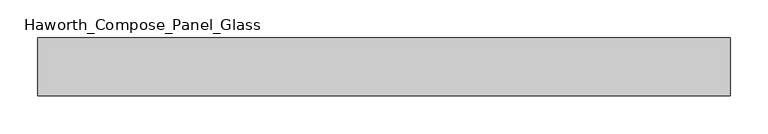
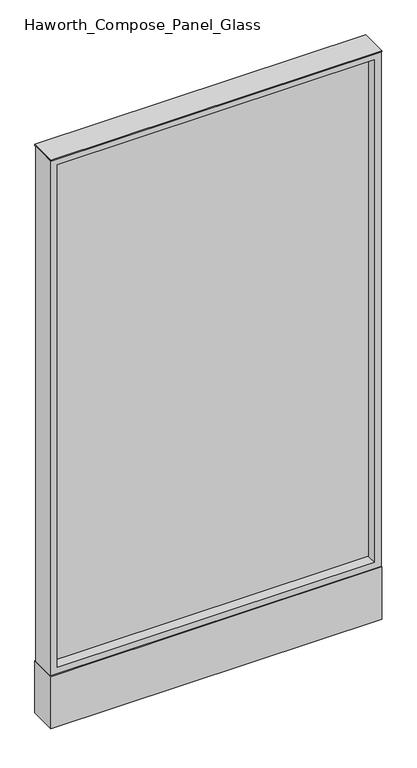
"""IFC4 building model written with IfcOpenShell, lengths in millimetres: furniture geometry, Haworth_Compose_Panel_Glass."""

import ifcopenshell
import ifcopenshell.guid

model = None  # the IFC model being written
_history = None  # IfcOwnerHistory: only IFC2X3 demands one
_inside = {}  # id of a spatial element -> (the spatial element, [elements in it])
_under = {}  # id of a project, library or spatial element -> (it, [spatial elements below it])
_declared = {}  # id of a project -> (the project, [libraries it declares])
_typed = {}  # id of a type object -> (the type object, [elements of that type])
_made_of = {}  # id of a material, layer set ... -> (it, [elements and type objects made of it])


def new_model(schema):
    """Start an empty IFC model of exactly this schema.

    Asked for "IFC4X3", IfcOpenShell would pick the latest addendum, in which some entities
    have other attributes; the version numbers below select the first issue.
    IFC2X3 requires an IfcOwnerHistory on every rooted entity: one is made here for all.
    """
    global model, _history
    if schema == "IFC4X3":
        model = ifcopenshell.file(schema_version=(4, 3, 0, 0))
    else:
        model = ifcopenshell.file(schema=schema)
    _inside.clear()
    _under.clear()
    _declared.clear()
    _typed.clear()
    _made_of.clear()
    _history = None
    if model.schema == "IFC2X3":
        org = make("IfcOrganization", Name="unknown")
        user = make(
            "IfcPersonAndOrganization",
            ThePerson=make("IfcPerson", FamilyName="unknown"),
            TheOrganization=org,
        )
        app = make(
            "IfcApplication",
            ApplicationDeveloper=org,
            Version="unknown",
            ApplicationFullName="unknown",
            ApplicationIdentifier="unknown",
        )
        _history = make(
            "IfcOwnerHistory",
            OwningUser=user,
            OwningApplication=app,
            ChangeAction="ADDED",
            CreationDate=0,
        )
    return model


def make(cls, **values):
    """One entity of the class cls with the attributes given. An attribute that is None is left unset."""
    return model.create_entity(
        cls, **{name: value for name, value in values.items() if value is not None}
    )


def rooted(cls, **values):
    """An entity with a GlobalId (a new one), such as an element, a storey or a relation."""
    return make(cls, GlobalId=ifcopenshell.guid.new(), OwnerHistory=_history, **values)


def si_unit(unit_type, name, prefix=None):
    """IfcSIUnit, for example si_unit("LENGTHUNIT", "METRE", prefix="MILLI")."""
    return make("IfcSIUnit", UnitType=unit_type, Prefix=prefix, Name=name)


def assignment(units):
    """IfcUnitAssignment: the units of a project."""
    return None if units is None else make("IfcUnitAssignment", Units=units)


def point(xyz):
    """IfcCartesianPoint."""
    return None if xyz is None else make("IfcCartesianPoint", Coordinates=xyz)


def direction(xyz):
    """IfcDirection."""
    return None if xyz is None else make("IfcDirection", DirectionRatios=xyz)


def frame(location, z_axis=None, x_axis=None):
    """IfcAxis2Placement3D, a coordinate frame: its origin and axes. An axis left out is left unset."""
    return make(
        "IfcAxis2Placement3D",
        Location=point(location),
        Axis=direction(z_axis),
        RefDirection=direction(x_axis),
    )


def frame_2d(location, x_axis=None):
    """IfcAxis2Placement2D, a coordinate frame in the plane: its origin and x axis."""
    return make(
        "IfcAxis2Placement2D", Location=point(location), RefDirection=direction(x_axis)
    )


def origin():
    """The frame at (0, 0, 0) with its axes left unset."""
    return frame((0.0, 0.0, 0.0))


def origin_with_axes():
    """The frame at (0, 0, 0) with the z axis (0, 0, 1) and the x axis (1, 0, 0) written out."""
    return frame((0.0, 0.0, 0.0), z_axis=(0.0, 0.0, 1.0), x_axis=(1.0, 0.0, 0.0))


def place(relative_to, where):
    """IfcLocalPlacement: puts the frame where relative to a parent placement (None: the world)."""
    return make(
        "IfcLocalPlacement", PlacementRelTo=relative_to, RelativePlacement=where
    )


def context(
    kind, dimensions, precision=None, world=None, true_north=None, identifier=None
):
    """IfcGeometricRepresentationContext, for example the 3D "Model" context."""
    return make(
        "IfcGeometricRepresentationContext",
        ContextIdentifier=identifier,
        ContextType=kind,
        CoordinateSpaceDimension=dimensions,
        Precision=precision,
        WorldCoordinateSystem=world,
        TrueNorth=true_north,
    )


def project(units=None, contexts=None):
    """IfcProject with its units and contexts."""
    return rooted(
        "IfcProject",
        Name="project",
        RepresentationContexts=contexts,
        UnitsInContext=assignment(units),
    )


def spatial(cls, under=None, at=None, **own):
    """A site, building, storey or space (cls), placed at a placement, below another one or the project."""
    s = rooted(cls, ObjectPlacement=at, **own)
    if under is not None:
        _under.setdefault(under.id(), (under, []))[1].append(s)
    return s


def polyline(points):
    """IfcPolyline through the points."""
    return make("IfcPolyline", Points=[point(p) for p in points])


def circle_curve(where, radius):
    """IfcCircle in the frame where."""
    return make("IfcCircle", Position=where, Radius=radius)


def trimmed(basis, trim1, trim2, sense, master):
    """IfcTrimmedCurve: the piece of a basis curve between two trims."""
    return make(
        "IfcTrimmedCurve",
        BasisCurve=basis,
        Trim1=trim1,
        Trim2=trim2,
        SenseAgreement=sense,
        MasterRepresentation=master,
    )


def segment(curve, same_sense, transition):
    """IfcCompositeCurveSegment."""
    return make(
        "IfcCompositeCurveSegment",
        Transition=transition,
        SameSense=same_sense,
        ParentCurve=curve,
    )


def composite_curve(segments, self_intersect=None):
    """IfcCompositeCurve: segments joined end to end."""
    return make("IfcCompositeCurve", Segments=segments, SelfIntersect=self_intersect)


def outline(outer, holes=None, kind="AREA"):
    """IfcArbitraryClosedProfileDef: a profile drawn as a closed curve; with holes, ...WithVoids."""
    if holes is None:
        return make("IfcArbitraryClosedProfileDef", ProfileType=kind, OuterCurve=outer)
    return make(
        "IfcArbitraryProfileDefWithVoids",
        ProfileType=kind,
        OuterCurve=outer,
        InnerCurves=holes,
    )


def extrude(swept, where, along, depth):
    """IfcExtrudedAreaSolid: the profile swept, set in the frame where, extruded along a direction by depth."""
    return make(
        "IfcExtrudedAreaSolid",
        SweptArea=swept,
        Position=where,
        ExtrudedDirection=direction(along),
        Depth=depth,
    )


def shape(context_of_items, identifier, shape_type, items):
    """IfcShapeRepresentation: the items that make up one representation, for example the "Body"."""
    return make(
        "IfcShapeRepresentation",
        ContextOfItems=context_of_items,
        RepresentationIdentifier=identifier,
        RepresentationType=shape_type,
        Items=items,
    )


def source(mapping_origin, context_of_items, identifier, shape_type, items):
    """IfcRepresentationMap: a shape defined once, which mapped items show again and again."""
    return make(
        "IfcRepresentationMap",
        MappingOrigin=mapping_origin,
        MappedRepresentation=shape(context_of_items, identifier, shape_type, items),
    )


def transform(
    local_origin,
    x_axis=None,
    y_axis=None,
    z_axis=None,
    scale=None,
    scale2=None,
    scale3=None,
    uniform=True,
):
    """IfcCartesianTransformationOperator3D, or its non-uniform kind. x_axis, y_axis, z_axis: its Axis1, 2, 3."""
    if uniform:
        return make(
            "IfcCartesianTransformationOperator3D",
            Axis1=direction(x_axis),
            Axis2=direction(y_axis),
            LocalOrigin=point(local_origin),
            Scale=scale,
            Axis3=direction(z_axis),
        )
    return make(
        "IfcCartesianTransformationOperator3DnonUniform",
        Axis1=direction(x_axis),
        Axis2=direction(y_axis),
        LocalOrigin=point(local_origin),
        Scale=scale,
        Axis3=direction(z_axis),
        Scale2=scale2,
        Scale3=scale3,
    )


def mapped(mapping_source, mapping_target):
    """IfcMappedItem: shows the shape of a source again, moved by a transform."""
    return make(
        "IfcMappedItem", MappingSource=mapping_source, MappingTarget=mapping_target
    )


def made_of(thing, what):
    """Note that an element or type object is made of a material, layer set ...; save() writes the relation."""
    if what is not None:
        _made_of.setdefault(what.id(), (what, []))[1].append(thing)
    return thing


def element(
    cls,
    number,
    at=None,
    inside=None,
    cuts=None,
    type_object=None,
    material=None,
    context=None,
    identifier="Body",
    shape_type=None,
    held_by="IfcProductDefinitionShape",
    body=None,
    shapes=None,
    **own,
):
    """One element of the class cls, such as IfcWall. Its Tag is "e" and its number.

    at: its placement. inside: the storey or other place that contains it. cuts: it is an
    opening in that element (IfcRelVoidsElement). A single representation is given by context,
    identifier, shape_type and body (its items); several are given by shapes. held_by: the class
    of the entity that holds the representations. save() writes the other relations.
    """
    e = rooted(cls, Tag="e%d" % number, ObjectPlacement=at, **own)
    if body is not None:
        shapes = [shape(context, identifier, shape_type, body)]
    if shapes is not None:
        e.Representation = make(held_by, Representations=shapes)
    if inside is not None:
        _inside.setdefault(inside.id(), (inside, []))[1].append(e)
    if cuts is not None:
        rooted(
            "IfcRelVoidsElement", RelatingBuildingElement=cuts, RelatedOpeningElement=e
        )
    if type_object is not None:
        _typed.setdefault(type_object.id(), (type_object, []))[1].append(e)
    return made_of(e, material)


def aggregate(whole, parts):
    """IfcRelAggregates: a whole, such as a stair, and the parts it consists of."""
    return rooted("IfcRelAggregates", RelatingObject=whole, RelatedObjects=parts)


def save(model, path):
    """Write the relations noted so far, then the file.

    IfcRelAggregates (storeys below a building ...), IfcRelContainedInSpatialStructure (elements
    in a storey), IfcRelDefinesByType, IfcRelAssociatesMaterial and IfcRelDeclares: one each for
    every whole, place, type object, material and project.
    """
    for whole, parts in _under.values():
        aggregate(whole, parts)
    for where, things in _inside.values():
        rooted(
            "IfcRelContainedInSpatialStructure",
            RelatedElements=things,
            RelatingStructure=where,
        )
    for kind, things in _typed.values():
        rooted("IfcRelDefinesByType", RelatedObjects=things, RelatingType=kind)
    for what, things in _made_of.values():
        rooted("IfcRelAssociatesMaterial", RelatedObjects=things, RelatingMaterial=what)
    for by, libraries in _declared.values():
        rooted("IfcRelDeclares", RelatingContext=by, RelatedDefinitions=libraries)
    model.write(path)


def haworth_compose_panel_glass_8a2b7c71(model_context):
    return source(origin(), model_context, "Body", "SweptSolid", [
        extrude(outline(composite_curve([segment(trimmed(circle_curve(frame_2d((383.4402902, 0.0)), 12.7), [point((370.7402902, 0.0))], [point((396.1402902, 0.0))], False, "CARTESIAN"), True, "CONTINUOUS"), segment(trimmed(circle_curve(frame_2d((383.4402902, 0.0)), 12.7), [point((396.1402902, 0.0))], [point((370.7402902, 0.0))], False, "CARTESIAN"), True, "CONTINUOUS")], self_intersect=False)), origin_with_axes(), (0.0, 0.0, 1.0), 12.7),
        extrude(outline(composite_curve([segment(trimmed(circle_curve(frame_2d((-378.5597098, 0.0)), 12.7), [point((-391.2597098, 0.0))], [point((-365.8597098, 0.0))], False, "CARTESIAN"), True, "CONTINUOUS"), segment(trimmed(circle_curve(frame_2d((-378.5597098, 0.0)), 12.7), [point((-365.8597098, 0.0))], [point((-391.2597098, 0.0))], False, "CARTESIAN"), True, "CONTINUOUS")], self_intersect=False)), origin_with_axes(), (0.0, 0.0, 1.0), 12.7),
        extrude(outline(polyline([(440.5902902, -6.35), (-435.7097098, -6.35), (-435.7097098, 6.35), (440.5902902, 6.35), (440.5902902, -6.35)])), frame((0.0, 0.0, 184.15), z_axis=(0.0, 0.0, 1.0), x_axis=(1.0, 0.0, 0.0)), (0.0, 0.0, 1.0), 1466.85),
        extrude(outline(polyline([(1670.05, -454.7597098), (165.1, -454.7597098), (165.1, 459.6402902), (1670.05, 459.6402902), (1670.05, -454.7597098)]), holes=[polyline([(1651.0, 440.5902902), (184.15, 440.5902902), (184.15, -435.7097098), (1651.0, -435.7097098), (1651.0, 440.5902902)])]), frame((0.0, -34.925, 0.0), z_axis=(0.0, 1.0, 0.0), x_axis=(0.0, 0.0, 1.0)), (0.0, 0.0, 1.0), 69.85),
        extrude(outline(polyline([(-454.7597098, 38.1), (459.6402902, 38.1), (459.6402902, -38.1), (-454.7597098, -38.1), (-454.7597098, 38.1)])), frame((0.0, 0.0, 12.7), z_axis=(0.0, 0.0, 1.0), x_axis=(1.0, 0.0, 0.0)), (0.0, 0.0, 1.0), 152.4),
        extrude(outline(polyline([(-454.7597098, -38.1), (-454.7597098, 38.1), (459.6402902, 38.1), (459.6402902, -38.1), (-454.7597098, -38.1)])), frame((0.0, 0.0, 1670.05), z_axis=(0.0, 0.0, 1.0), x_axis=(1.0, 0.0, 0.0)), (0.0, 0.0, 1.0), 3.175),
    ])


if __name__ == "__main__":
    model = new_model("IFC4")
    model_context = context("Model", 3, world=origin())
    ifc_project = project(units=[si_unit("LENGTHUNIT", "METRE", prefix="MILLI")], contexts=[model_context])
    site = spatial("IfcSite", under=ifc_project)
    building = spatial("IfcBuilding", under=site)
    placement = place(None, origin())
    haworth_compose_panel_glass_shape = haworth_compose_panel_glass_8a2b7c71(model_context)
    element("IfcFurniture", 1, ObjectType="Haworth_Compose_Panel_Glass", at=placement, inside=building, context=model_context, shape_type="MappedRepresentation", body=[
        mapped(haworth_compose_panel_glass_shape, transform((0.0, 0.0, 0.0), x_axis=(1.0, 0.0, 0.0), y_axis=(0.0, 1.0, 0.0), z_axis=(0.0, 0.0, 1.0))),
    ])
    save(model, "model.ifc")
